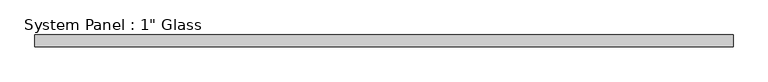
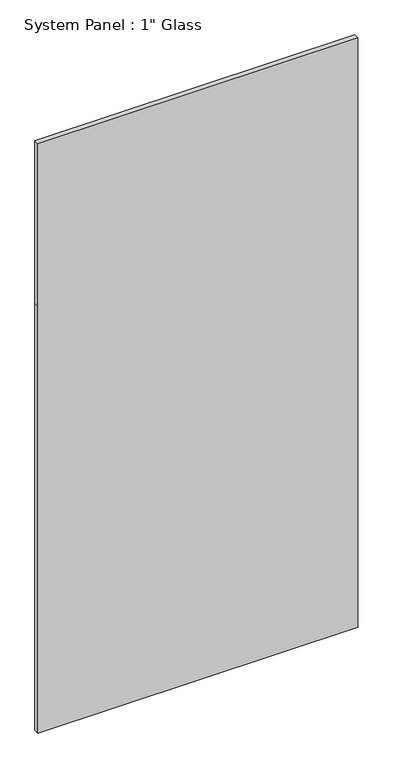
"""IFC4 building model written with IfcOpenShell, lengths in millimetres: plate geometry."""

from ifc_helpers import new_model, si_unit, frame, origin, place, context, project, spatial, polyline, outline, extrude, source, transform, mapped, element, save


def plate_413eefe7(model_context):
    return source(origin(), model_context, "Body", "SweptSolid", [
        extrude(outline(polyline([(0.0, -759.2591185), (0.0, 759.2591185), (2143.125, 759.2591185), (2959.1, 759.2591185), (2959.1, -759.2591185), (2143.125, -759.2591185), (0.0, -759.2591185)])), frame((0.0, -12.7, 0.0), z_axis=(0.0, 1.0, 0.0), x_axis=(0.0, 0.0, 1.0)), (0.0, 0.0, 1.0), 25.4),
    ])


if __name__ == "__main__":
    model = new_model("IFC4")
    model_context = context("Model", 3, world=origin())
    ifc_project = project(units=[si_unit("LENGTHUNIT", "METRE", prefix="MILLI")], contexts=[model_context])
    site = spatial("IfcSite", under=ifc_project)
    building = spatial("IfcBuilding", under=site)
    placement = place(None, origin())
    plate_shape = plate_413eefe7(model_context)
    element("IfcPlate", 1, ObjectType="System Panel : 1\" Glass", at=placement, inside=building, context=model_context, shape_type="MappedRepresentation", body=[
        mapped(plate_shape, transform((0.0, 0.0, 0.0), x_axis=(1.0, 0.0, 0.0), y_axis=(0.0, 1.0, 0.0), z_axis=(0.0, 0.0, 1.0))),
    ])
    save(model, "model.ifc")
